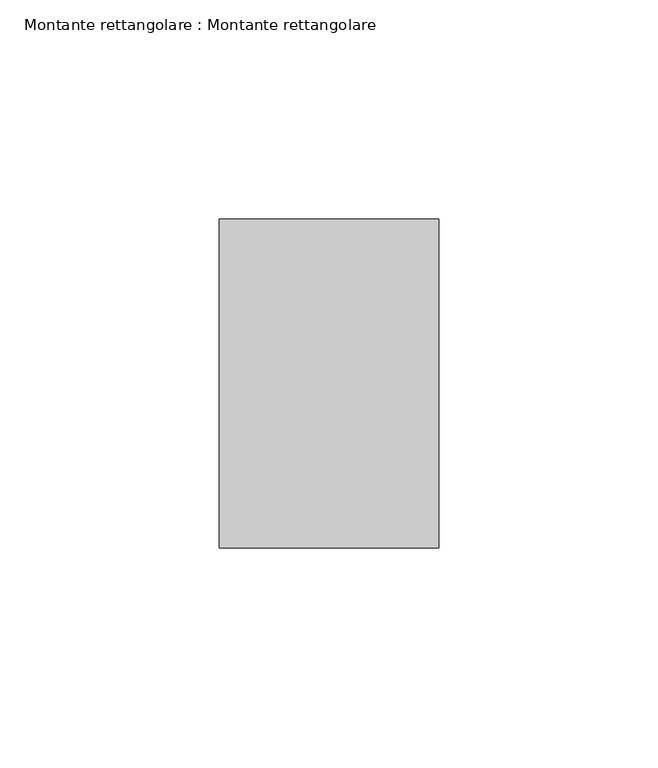
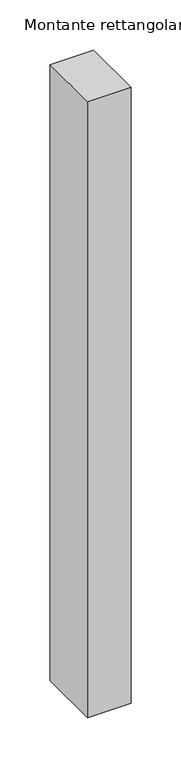
"""IFC4 building model written with IfcOpenShell, lengths in millimetres: member geometry, Montante rettangolare : Montante rettangolare."""

from ifc_helpers import new_model, si_unit, frame, origin, place, context, project, spatial, polyline, outline, extrude, source, transform, mapped, element, save


def montante_rettangolare_montante_rettangolare_69fd06b4(model_context):
    return source(origin(), model_context, "Body", "SweptSolid", [
        extrude(outline(polyline([(25.0, 37.5), (25.0, -37.5), (-25.0, -37.5), (-25.0, 37.5), (25.0, 37.5)])), frame((0.0, 0.0, -750.0000917), z_axis=(0.0, 0.0, 1.0), x_axis=(1.0, 0.0, 0.0)), (0.0, 0.0, 1.0), 750.0000917),
    ])


if __name__ == "__main__":
    model = new_model("IFC4")
    model_context = context("Model", 3, world=origin())
    ifc_project = project(units=[si_unit("LENGTHUNIT", "METRE", prefix="MILLI")], contexts=[model_context])
    site = spatial("IfcSite", under=ifc_project)
    building = spatial("IfcBuilding", under=site)
    placement = place(None, origin())
    montante_rettangolare_montante_rettangolare_shape = montante_rettangolare_montante_rettangolare_69fd06b4(model_context)
    element("IfcMember", 1, ObjectType="Montante rettangolare : Montante rettangolare", at=placement, inside=building, context=model_context, shape_type="MappedRepresentation", body=[
        mapped(montante_rettangolare_montante_rettangolare_shape, transform((0.0, 0.0, 0.0), x_axis=(1.0, 0.0, 0.0), y_axis=(0.0, 1.0, 0.0), z_axis=(0.0, 0.0, 1.0))),
    ])
    save(model, "model.ifc")
